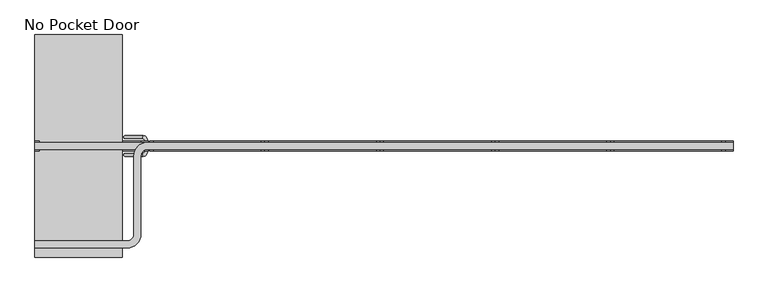
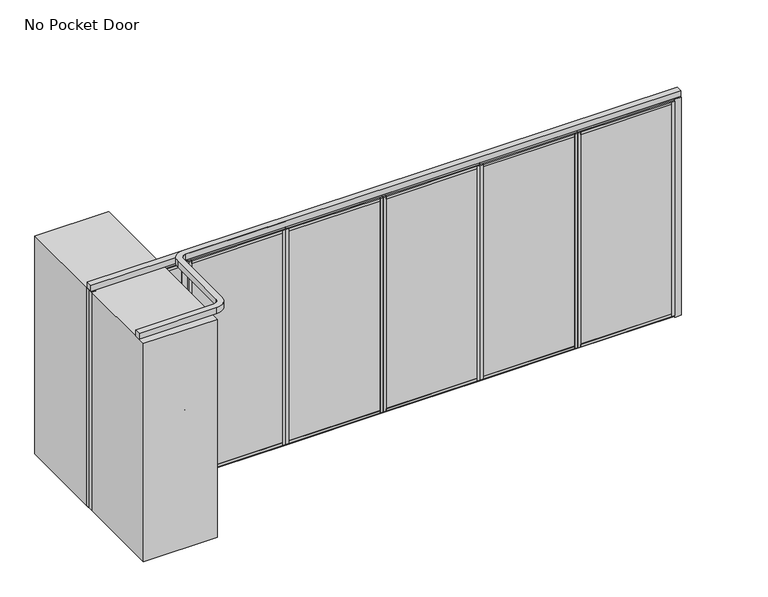
"""IFC4 building model written with IfcOpenShell, lengths in millimetres: proxy geometry, No Pocket Door."""

from ifc_helpers import new_model, si_unit, point, frame, frame_2d, origin, origin_with_axes, place, context, project, spatial, polyline, circle_curve, ellipse_curve, trimmed, segment, composite_curve, outline, extrude, source, transform, mapped, element, save
from ifc_brep_helpers import plane_surface, revolved_surface, advanced_brep


def no_pocket_door_6ac26989(model_context):
    return source(origin(), model_context, "Body", "SolidModel", [
        extrude(outline(polyline([(3207.0085497, -50.8), (3172.0835497, -50.8), (3172.0835497, 50.8), (3207.0085497, 50.8), (3207.0085497, -50.8)])), frame((0.0, 0.0, 22.225), z_axis=(0.0, 0.0, 1.0), x_axis=(1.0, 0.0, 0.0)), (0.0, 0.0, 1.0), 2698.75),
        extrude(outline(polyline([(0.0, 9.525), (1086.231, 9.525), (1086.231, 0.0), (0.0, 0.0), (0.0, 9.525)])), frame((4293.2395497, -36.5125, 52.3875), z_axis=(0.0, -2.6965096822095754e-12, 1.0), x_axis=(-1.0, 0.0, 0.0)), (0.0, 0.0, 1.0), 2638.425),
        extrude(outline(polyline([(4293.2395497, 36.5125), (3207.0085497, 36.5125), (3207.0085497, 44.45), (4293.2395497, 44.45), (4293.2395497, 36.5125)])), frame((0.0, 0.0, 52.3875), z_axis=(0.0, 0.0, 1.0), x_axis=(1.0, 0.0, 0.0)), (0.0, 0.0, 1.0), 2638.425),
        extrude(outline(polyline([(4328.1645497, -34.13125), (3172.0835497, -34.13125), (3172.0835497, 34.13125), (4328.1645497, 34.13125), (4328.1645497, -34.13125)])), origin_with_axes(), (0.0, 0.0, 1.0), 22.225),
        extrude(outline(polyline([(4328.1645497, -34.13125), (3172.0835497, -34.13125), (3172.0835497, 34.13125), (4328.1645497, 34.13125), (4328.1645497, -34.13125)])), frame((0.0, 0.0, 2720.975), z_axis=(0.0, 0.0, 1.0), x_axis=(1.0, 0.0, 0.0)), (0.0, 0.0, 1.0), 22.225),
        extrude(outline(polyline([(4293.2395497, -50.8), (4293.2395497, 50.8), (4328.1645497, 50.8), (4328.1645497, -50.8), (4293.2395497, -50.8)])), frame((0.0, 0.0, 22.225), z_axis=(0.0, 0.0, 1.0), x_axis=(1.0, 0.0, 0.0)), (0.0, 0.0, 1.0), 2698.75),
        extrude(outline(polyline([(36.5125, 2605.0875), (-36.5125, 2605.0875), (-36.5125, 2690.8125), (-50.8, 2690.8125), (-50.8, 2720.975), (50.8, 2720.975), (50.8, 2690.8125), (36.5125, 2690.8125), (36.5125, 2605.0875)])), frame((3207.0085497, 0.0, 0.0), z_axis=(1.0, 0.0, 0.0), x_axis=(0.0, 1.0, 0.0)), (0.0, 0.0, 1.0), 1086.231),
        extrude(outline(polyline([(50.8, 22.225), (-50.8, 22.225), (-50.8, 52.3875), (-36.5125, 52.3875), (-36.5125, 138.1125), (36.5125, 138.1125), (36.5125, 52.3875), (50.8, 52.3875), (50.8, 22.225)])), frame((3207.0085497, 0.0, 0.0), z_axis=(1.0, 0.0, 0.0), x_axis=(0.0, 1.0, 0.0)), (0.0, 0.0, 1.0), 1086.231),
        extrude(outline(polyline([(2050.6735497, -50.8), (2015.7485497, -50.8), (2015.7485497, 50.8), (2050.6735497, 50.8), (2050.6735497, -50.8)])), frame((0.0, 0.0, 22.225), z_axis=(0.0, 0.0, 1.0), x_axis=(1.0, 0.0, 0.0)), (0.0, 0.0, 1.0), 2698.75),
        extrude(outline(polyline([(0.0, 9.525), (1086.231, 9.525), (1086.231, 0.0), (0.0, 0.0), (0.0, 9.525)])), frame((3136.9045497, -36.5125, 52.3875), z_axis=(0.0, -2.6965096822095754e-12, 1.0), x_axis=(-1.0, 0.0, 0.0)), (0.0, 0.0, 1.0), 2638.425),
        extrude(outline(polyline([(3136.9045497, 36.5125), (2050.6735497, 36.5125), (2050.6735497, 44.45), (3136.9045497, 44.45), (3136.9045497, 36.5125)])), frame((0.0, 0.0, 52.3875), z_axis=(0.0, 0.0, 1.0), x_axis=(1.0, 0.0, 0.0)), (0.0, 0.0, 1.0), 2638.425),
        extrude(outline(polyline([(3171.8295497, -34.13125), (2015.7485497, -34.13125), (2015.7485497, 34.13125), (3171.8295497, 34.13125), (3171.8295497, -34.13125)])), origin_with_axes(), (0.0, 0.0, 1.0), 22.225),
        extrude(outline(polyline([(3171.8295497, -34.13125), (2015.7485497, -34.13125), (2015.7485497, 34.13125), (3171.8295497, 34.13125), (3171.8295497, -34.13125)])), frame((0.0, 0.0, 2720.975), z_axis=(0.0, 0.0, 1.0), x_axis=(1.0, 0.0, 0.0)), (0.0, 0.0, 1.0), 22.225),
        extrude(outline(polyline([(3136.9045497, -50.8), (3136.9045497, 50.8), (3171.8295497, 50.8), (3171.8295497, -50.8), (3136.9045497, -50.8)])), frame((0.0, 0.0, 22.225), z_axis=(0.0, 0.0, 1.0), x_axis=(1.0, 0.0, 0.0)), (0.0, 0.0, 1.0), 2698.75),
        extrude(outline(polyline([(36.5125, 2605.0875), (-36.5125, 2605.0875), (-36.5125, 2690.8125), (-50.8, 2690.8125), (-50.8, 2720.975), (50.8, 2720.975), (50.8, 2690.8125), (36.5125, 2690.8125), (36.5125, 2605.0875)])), frame((2050.6735497, 0.0, 0.0), z_axis=(1.0, 0.0, 0.0), x_axis=(0.0, 1.0, 0.0)), (0.0, 0.0, 1.0), 1086.231),
        extrude(outline(polyline([(50.8, 22.225), (-50.8, 22.225), (-50.8, 52.3875), (-36.5125, 52.3875), (-36.5125, 138.1125), (36.5125, 138.1125), (36.5125, 52.3875), (50.8, 52.3875), (50.8, 22.225)])), frame((2050.6735497, 0.0, 0.0), z_axis=(1.0, 0.0, 0.0), x_axis=(0.0, 1.0, 0.0)), (0.0, 0.0, 1.0), 1086.231),
        extrude(outline(polyline([(894.3385497, -50.8), (859.4135497, -50.8), (859.4135497, 50.8), (894.3385497, 50.8), (894.3385497, -50.8)])), frame((0.0, 0.0, 22.225), z_axis=(0.0, 0.0, 1.0), x_axis=(1.0, 0.0, 0.0)), (0.0, 0.0, 1.0), 2698.75),
        extrude(outline(polyline([(0.0, 9.525), (1086.231, 9.525), (1086.231, 0.0), (0.0, 0.0), (0.0, 9.525)])), frame((1980.5695497, -36.5125, 52.3875), z_axis=(0.0, -2.6965096822095754e-12, 1.0), x_axis=(-1.0, 0.0, 0.0)), (0.0, 0.0, 1.0), 2638.425),
        extrude(outline(polyline([(1980.5695497, 36.5125), (894.3385497, 36.5125), (894.3385497, 44.45), (1980.5695497, 44.45), (1980.5695497, 36.5125)])), frame((0.0, 0.0, 52.3875), z_axis=(0.0, 0.0, 1.0), x_axis=(1.0, 0.0, 0.0)), (0.0, 0.0, 1.0), 2638.425),
        extrude(outline(polyline([(2015.4945497, -34.13125), (859.4135497, -34.13125), (859.4135497, 34.13125), (2015.4945497, 34.13125), (2015.4945497, -34.13125)])), origin_with_axes(), (0.0, 0.0, 1.0), 22.225),
        extrude(outline(polyline([(2015.4945497, -34.13125), (859.4135497, -34.13125), (859.4135497, 34.13125), (2015.4945497, 34.13125), (2015.4945497, -34.13125)])), frame((0.0, 0.0, 2720.975), z_axis=(0.0, 0.0, 1.0), x_axis=(1.0, 0.0, 0.0)), (0.0, 0.0, 1.0), 22.225),
        extrude(outline(polyline([(1980.5695497, -50.8), (1980.5695497, 50.8), (2015.4945497, 50.8), (2015.4945497, -50.8), (1980.5695497, -50.8)])), frame((0.0, 0.0, 22.225), z_axis=(0.0, 0.0, 1.0), x_axis=(1.0, 0.0, 0.0)), (0.0, 0.0, 1.0), 2698.75),
        extrude(outline(polyline([(36.5125, 2605.0875), (-36.5125, 2605.0875), (-36.5125, 2690.8125), (-50.8, 2690.8125), (-50.8, 2720.975), (50.8, 2720.975), (50.8, 2690.8125), (36.5125, 2690.8125), (36.5125, 2605.0875)])), frame((894.3385497, 0.0, 0.0), z_axis=(1.0, 0.0, 0.0), x_axis=(0.0, 1.0, 0.0)), (0.0, 0.0, 1.0), 1086.231),
        extrude(outline(polyline([(50.8, 22.225), (-50.8, 22.225), (-50.8, 52.3875), (-36.5125, 52.3875), (-36.5125, 138.1125), (36.5125, 138.1125), (36.5125, 52.3875), (50.8, 52.3875), (50.8, 22.225)])), frame((894.3385497, 0.0, 0.0), z_axis=(1.0, 0.0, 0.0), x_axis=(0.0, 1.0, 0.0)), (0.0, 0.0, 1.0), 1086.231),
        extrude(outline(polyline([(4363.3435497, -50.8), (4328.4185497, -50.8), (4328.4185497, 50.8), (4363.3435497, 50.8), (4363.3435497, -50.8)])), frame((0.0, 0.0, 22.225), z_axis=(0.0, 0.0, 1.0), x_axis=(1.0, 0.0, 0.0)), (0.0, 0.0, 1.0), 2698.75),
        extrude(outline(polyline([(0.0, 9.525), (1086.231, 9.525), (1086.231, 0.0), (0.0, 0.0), (0.0, 9.525)])), frame((5449.5745497, -36.5125, 52.3875), z_axis=(0.0, -2.6965096822095754e-12, 1.0), x_axis=(-1.0, 0.0, 0.0)), (0.0, 0.0, 1.0), 2638.425),
        extrude(outline(polyline([(5449.5745497, 36.5125), (4363.3435497, 36.5125), (4363.3435497, 44.45), (5449.5745497, 44.45), (5449.5745497, 36.5125)])), frame((0.0, 0.0, 52.3875), z_axis=(0.0, 0.0, 1.0), x_axis=(1.0, 0.0, 0.0)), (0.0, 0.0, 1.0), 2638.425),
        extrude(outline(polyline([(5484.4995497, -34.13125), (4328.4185497, -34.13125), (4328.4185497, 34.13125), (5484.4995497, 34.13125), (5484.4995497, -34.13125)])), origin_with_axes(), (0.0, 0.0, 1.0), 22.225),
        extrude(outline(polyline([(5484.4995497, -34.13125), (4328.4185497, -34.13125), (4328.4185497, 34.13125), (5484.4995497, 34.13125), (5484.4995497, -34.13125)])), frame((0.0, 0.0, 2720.975), z_axis=(0.0, 0.0, 1.0), x_axis=(1.0, 0.0, 0.0)), (0.0, 0.0, 1.0), 22.225),
        extrude(outline(polyline([(5449.5745497, -50.8), (5449.5745497, 50.8), (5484.4995497, 50.8), (5484.4995497, -50.8), (5449.5745497, -50.8)])), frame((0.0, 0.0, 22.225), z_axis=(0.0, 0.0, 1.0), x_axis=(1.0, 0.0, 0.0)), (0.0, 0.0, 1.0), 2698.75),
        extrude(outline(polyline([(36.5125, 2605.0875), (-36.5125, 2605.0875), (-36.5125, 2690.8125), (-50.8, 2690.8125), (-50.8, 2720.975), (50.8, 2720.975), (50.8, 2690.8125), (36.5125, 2690.8125), (36.5125, 2605.0875)])), frame((4363.3435497, 0.0, 0.0), z_axis=(1.0, 0.0, 0.0), x_axis=(0.0, 1.0, 0.0)), (0.0, 0.0, 1.0), 1086.231),
        extrude(outline(polyline([(50.8, 22.225), (-50.8, 22.225), (-50.8, 52.3875), (-36.5125, 52.3875), (-36.5125, 138.1125), (36.5125, 138.1125), (36.5125, 52.3875), (50.8, 52.3875), (50.8, 22.225)])), frame((4363.3435497, 0.0, 0.0), z_axis=(1.0, 0.0, 0.0), x_axis=(0.0, 1.0, 0.0)), (0.0, 0.0, 1.0), 1086.231),
        advanced_brep(
        [(-367.7709403, 103.378, 879.07749), (-367.7709403, 73.2155, 879.07749), (-315.1929403, 50.8, 879.07749), (-345.3554403, 50.8, 879.07749)],
        [
            (0, 1, circle_curve(frame((-367.7709403, 88.29675, 879.07749), z_axis=(-1.0, 0.0, 0.0), x_axis=(0.0, -1.0, 0.0)), 15.08125)),
            (1, 0, circle_curve(frame((-367.7709403, 88.29675, 879.07749), z_axis=(-1.0, 0.0, 0.0), x_axis=(0.0, -1.0, 0.0)), 15.08125)),
            (2, 3, circle_curve(frame((-330.2741903, 50.8, 879.07749), z_axis=(0.0, -1.0, 0.0), x_axis=(-1.0, 0.0, 0.0)), 15.08125)),
            (3, 2, circle_curve(frame((-330.2741903, 50.8, 879.07749), z_axis=(0.0, -1.0, 0.0), x_axis=(-1.0, 0.0, 0.0)), 15.08125)),
            (2, 0, circle_curve(frame((-367.7709403, 50.8, 879.07749), z_axis=(0.0, 0.0, 1.0), x_axis=(0.0, 1.0, 0.0)), 52.578)),
            (1, 3, circle_curve(frame((-367.7709403, 50.8, 879.07749), z_axis=(0.0, 0.0, -1.0), x_axis=(0.0, 1.0, 0.0)), 22.4155)),
        ],
        [
            plane_surface(frame((-367.7709403, 88.29675, 879.07749), z_axis=(-1.0, 0.0, 0.0), x_axis=(0.0, 0.0, 1.0))),
            plane_surface(frame((-330.2741903, 50.8, 879.07749), z_axis=(0.0, -1.0, 0.0), x_axis=(0.0, 0.0, 1.0))),
            revolved_surface(trimmed(ellipse_curve(frame((-367.7709403, 88.29675, 879.07749), z_axis=(1.0, 0.0, 0.0), x_axis=(0.0, -1.0, 0.0)), 15.08125, 15.08125), [point((-367.7709403, 103.378, 879.07749))], [point((-367.7709403, 73.2155, 879.07749))], True, "CARTESIAN"), (-367.7709403, 50.8, 879.07749), (0.0, 0.0, 1.0)),
            revolved_surface(trimmed(ellipse_curve(frame((-367.7709403, 88.29675, 879.07749), z_axis=(1.0, 0.0, 0.0), x_axis=(0.0, -1.0, 0.0)), 15.08125, 15.08125), [point((-367.7709403, 73.2155, 879.07749))], [point((-367.7709403, 103.378, 879.07749))], True, "CARTESIAN"), (-367.7709403, 50.8, 879.07749), (0.0, 0.0, 1.0)),
        ],
        [
            (0, [[1, 2]]),
            (1, [[3, 4]]),
            (2, [[-3, 5, -2, 6]]),
            (3, [[-4, -6, -1, -5]]),
        ],
    ),
        advanced_brep(
        [(-367.7709403, 103.378, 1229.12251), (-367.7709403, 73.2155, 1229.12251), (-315.1929403, 50.8, 1229.12251), (-345.3554403, 50.8, 1229.12251)],
        [
            (0, 1, circle_curve(frame((-367.7709403, 88.29675, 1229.12251), z_axis=(-1.0, 0.0, 0.0), x_axis=(0.0, -1.0, 0.0)), 15.08125)),
            (1, 0, circle_curve(frame((-367.7709403, 88.29675, 1229.12251), z_axis=(-1.0, 0.0, 0.0), x_axis=(0.0, -1.0, 0.0)), 15.08125)),
            (2, 3, circle_curve(frame((-330.2741903, 50.8, 1229.12251), z_axis=(0.0, -1.0, 0.0), x_axis=(-1.0, 0.0, 0.0)), 15.08125)),
            (3, 2, circle_curve(frame((-330.2741903, 50.8, 1229.12251), z_axis=(0.0, -1.0, 0.0), x_axis=(-1.0, 0.0, 0.0)), 15.08125)),
            (3, 1, circle_curve(frame((-367.7709403, 50.8, 1229.12251), z_axis=(0.0, 0.0, 1.0), x_axis=(0.0, 1.0, 0.0)), 22.4155)),
            (0, 2, circle_curve(frame((-367.7709403, 50.8, 1229.12251), z_axis=(0.0, 0.0, -1.0), x_axis=(0.0, 1.0, 0.0)), 52.578)),
        ],
        [
            plane_surface(frame((-367.7709403, 88.29675, 1054.1), z_axis=(-1.0, 0.0, 0.0), x_axis=(0.0, 0.0, 1.0))),
            plane_surface(frame((-330.2741903, 50.8, 1054.1), z_axis=(0.0, -1.0, 0.0), x_axis=(0.0, 0.0, 1.0))),
            revolved_surface(trimmed(ellipse_curve(frame((-367.7709403, 88.29675, 1229.12251), z_axis=(1.0, 0.0, 0.0), x_axis=(0.0, -1.0, 0.0)), 15.08125, 15.08125), [point((-367.7709403, 73.2155, 1229.12251))], [point((-367.7709403, 103.378, 1229.12251))], True, "CARTESIAN"), (-367.7709403, 50.8, 1054.1), (0.0, 0.0, 1.0)),
            revolved_surface(trimmed(ellipse_curve(frame((-367.7709403, 88.29675, 1229.12251), z_axis=(1.0, 0.0, 0.0), x_axis=(0.0, -1.0, 0.0)), 15.08125, 15.08125), [point((-367.7709403, 103.378, 1229.12251))], [point((-367.7709403, 73.2155, 1229.12251))], True, "CARTESIAN"), (-367.7709403, 50.8, 1054.1), (0.0, 0.0, 1.0)),
        ],
        [
            (0, [[1, 2]]),
            (1, [[3, 4]]),
            (2, [[-4, 5, -1, 6]]),
            (3, [[-3, -6, -2, -5]]),
        ],
    ),
        advanced_brep(
        [(-367.7709403, 73.2155, 1229.12251), (-367.7709403, 103.378, 1229.12251), (-367.7709403, 73.2155, 879.07749), (-367.7709403, 103.378, 879.07749)],
        [
            (0, 1, circle_curve(frame((-367.7709403, 88.29675, 1229.12251), z_axis=(1.0, 0.0, 0.0), x_axis=(0.0, 1.0, 0.0)), 15.08125)),
            (1, 0, circle_curve(frame((-367.7709403, 88.29675, 1229.12251), z_axis=(1.0, 0.0, 0.0), x_axis=(0.0, 1.0, 0.0)), 15.08125)),
            (2, 3, circle_curve(frame((-367.7709403, 88.29675, 879.07749), z_axis=(1.0, 0.0, 0.0), x_axis=(0.0, 1.0, 0.0)), 15.08125)),
            (3, 2, circle_curve(frame((-367.7709403, 88.29675, 879.07749), z_axis=(1.0, 0.0, 0.0), x_axis=(0.0, 1.0, 0.0)), 15.08125)),
            (3, 1, circle_curve(frame((-367.7709403, 103.378, 1054.1), z_axis=(0.0, 1.0, 0.0), x_axis=(0.0, 0.0, 1.0)), 175.02251)),
            (0, 2, circle_curve(frame((-367.7709403, 73.2155, 1054.1), z_axis=(0.0, -1.0, 0.0), x_axis=(0.0, 0.0, 1.0)), 175.02251)),
        ],
        [
            plane_surface(frame((-367.7709403, 88.29675, 1229.12251), z_axis=(1.0, 0.0, 0.0), x_axis=(0.0, 1.0, 0.0))),
            plane_surface(frame((-367.7709403, 88.29675, 879.07749), z_axis=(1.0, 0.0, 0.0), x_axis=(0.0, 1.0, 0.0))),
            revolved_surface(trimmed(ellipse_curve(frame((-367.7709403, 88.29675, 1229.12251), z_axis=(-1.0, 0.0, 0.0), x_axis=(0.0, 1.0, 0.0)), 15.08125, 15.08125), [point((-367.7709403, 103.378, 1229.12251))], [point((-367.7709403, 73.2155, 1229.12251))], True, "CARTESIAN"), (-367.7709403, 88.29675, 1054.1), (0.0, 1.0, 0.0)),
            revolved_surface(trimmed(ellipse_curve(frame((-367.7709403, 88.29675, 1229.12251), z_axis=(-1.0, 0.0, 0.0), x_axis=(0.0, 1.0, 0.0)), 15.08125, 15.08125), [point((-367.7709403, 73.2155, 1229.12251))], [point((-367.7709403, 103.378, 1229.12251))], True, "CARTESIAN"), (-367.7709403, 88.29675, 1054.1), (0.0, 1.0, 0.0)),
        ],
        [
            (0, [[1, 2]]),
            (1, [[3, 4]]),
            (2, [[-4, 5, -1, 6]]),
            (3, [[-3, -6, -2, -5]]),
        ],
    ),
        advanced_brep(
        [(-367.7709403, -73.2155, 879.07749), (-367.7709403, -103.378, 879.07749), (-345.3554403, -50.8, 879.07749), (-315.1929403, -50.8, 879.07749)],
        [
            (0, 1, circle_curve(frame((-367.7709403, -88.29675, 879.07749), z_axis=(-1.0, 0.0, 0.0), x_axis=(0.0, -1.0, 0.0)), 15.08125)),
            (1, 0, circle_curve(frame((-367.7709403, -88.29675, 879.07749), z_axis=(-1.0, 0.0, 0.0), x_axis=(0.0, -1.0, 0.0)), 15.08125)),
            (2, 3, circle_curve(frame((-330.2741903, -50.8, 879.07749), z_axis=(0.0, 1.0, 0.0), x_axis=(1.0, 0.0, 0.0)), 15.08125)),
            (3, 2, circle_curve(frame((-330.2741903, -50.8, 879.07749), z_axis=(0.0, 1.0, 0.0), x_axis=(1.0, 0.0, 0.0)), 15.08125)),
            (3, 1, circle_curve(frame((-367.7709403, -50.8, 879.07749), z_axis=(0.0, 0.0, -1.0), x_axis=(0.0, -1.0, 0.0)), 52.578)),
            (0, 2, circle_curve(frame((-367.7709403, -50.8, 879.07749), z_axis=(0.0, 0.0, 1.0), x_axis=(0.0, -1.0, 0.0)), 22.4155)),
        ],
        [
            plane_surface(frame((-367.7709403, -88.29675, 879.07749), z_axis=(-1.0, 0.0, 0.0), x_axis=(0.0, 0.0, 1.0))),
            plane_surface(frame((-330.2741903, -50.8, 879.07749), z_axis=(0.0, 1.0, 0.0), x_axis=(0.0, 0.0, 1.0))),
            revolved_surface(trimmed(ellipse_curve(frame((-367.7709403, -88.29675, 879.07749), z_axis=(1.0, 0.0, 0.0), x_axis=(0.0, -1.0, 0.0)), 15.08125, 15.08125), [point((-367.7709403, -103.378, 879.07749))], [point((-367.7709403, -73.2155, 879.07749))], True, "CARTESIAN"), (-367.7709403, -50.8, 879.07749), (0.0, 0.0, -1.0)),
            revolved_surface(trimmed(ellipse_curve(frame((-367.7709403, -88.29675, 879.07749), z_axis=(1.0, 0.0, 0.0), x_axis=(0.0, -1.0, 0.0)), 15.08125, 15.08125), [point((-367.7709403, -73.2155, 879.07749))], [point((-367.7709403, -103.378, 879.07749))], True, "CARTESIAN"), (-367.7709403, -50.8, 879.07749), (0.0, 0.0, -1.0)),
        ],
        [
            (0, [[1, 2]]),
            (1, [[3, 4]]),
            (2, [[-4, 5, -1, 6]]),
            (3, [[-3, -6, -2, -5]]),
        ],
    ),
        advanced_brep(
        [(-367.7709403, -73.2155, 1229.12251), (-367.7709403, -103.378, 1229.12251), (-345.3554403, -50.8, 1229.12251), (-315.1929403, -50.8, 1229.12251)],
        [
            (0, 1, circle_curve(frame((-367.7709403, -88.29675, 1229.12251), z_axis=(-1.0, 0.0, 0.0), x_axis=(0.0, -1.0, 0.0)), 15.08125)),
            (1, 0, circle_curve(frame((-367.7709403, -88.29675, 1229.12251), z_axis=(-1.0, 0.0, 0.0), x_axis=(0.0, -1.0, 0.0)), 15.08125)),
            (2, 3, circle_curve(frame((-330.2741903, -50.8, 1229.12251), z_axis=(0.0, 1.0, 0.0), x_axis=(1.0, 0.0, 0.0)), 15.08125)),
            (3, 2, circle_curve(frame((-330.2741903, -50.8, 1229.12251), z_axis=(0.0, 1.0, 0.0), x_axis=(1.0, 0.0, 0.0)), 15.08125)),
            (2, 0, circle_curve(frame((-367.7709403, -50.8, 1229.12251), z_axis=(0.0, 0.0, -1.0), x_axis=(0.0, -1.0, 0.0)), 22.4155)),
            (1, 3, circle_curve(frame((-367.7709403, -50.8, 1229.12251), z_axis=(0.0, 0.0, 1.0), x_axis=(0.0, -1.0, 0.0)), 52.578)),
        ],
        [
            plane_surface(frame((-367.7709403, -88.29675, 1054.1), z_axis=(-1.0, 0.0, 0.0), x_axis=(0.0, 0.0, 1.0))),
            plane_surface(frame((-330.2741903, -50.8, 1054.1), z_axis=(0.0, 1.0, 0.0), x_axis=(0.0, 0.0, 1.0))),
            revolved_surface(trimmed(ellipse_curve(frame((-367.7709403, -88.29675, 1229.12251), z_axis=(1.0, 0.0, 0.0), x_axis=(0.0, -1.0, 0.0)), 15.08125, 15.08125), [point((-367.7709403, -73.2155, 1229.12251))], [point((-367.7709403, -103.378, 1229.12251))], True, "CARTESIAN"), (-367.7709403, -50.8, 1054.1), (0.0, 0.0, -1.0)),
            revolved_surface(trimmed(ellipse_curve(frame((-367.7709403, -88.29675, 1229.12251), z_axis=(1.0, 0.0, 0.0), x_axis=(0.0, -1.0, 0.0)), 15.08125, 15.08125), [point((-367.7709403, -103.378, 1229.12251))], [point((-367.7709403, -73.2155, 1229.12251))], True, "CARTESIAN"), (-367.7709403, -50.8, 1054.1), (0.0, 0.0, -1.0)),
        ],
        [
            (0, [[1, 2]]),
            (1, [[3, 4]]),
            (2, [[-3, 5, -2, 6]]),
            (3, [[-4, -6, -1, -5]]),
        ],
    ),
        advanced_brep(
        [(-367.7709403, -73.2155, 1229.12251), (-367.7709403, -103.378, 1229.12251), (-367.7709403, -73.2155, 879.07749), (-367.7709403, -103.378, 879.07749)],
        [
            (0, 1, circle_curve(frame((-367.7709403, -88.29675, 1229.12251), z_axis=(1.0, 0.0, 0.0), x_axis=(0.0, -1.0, 0.0)), 15.08125)),
            (1, 0, circle_curve(frame((-367.7709403, -88.29675, 1229.12251), z_axis=(1.0, 0.0, 0.0), x_axis=(0.0, -1.0, 0.0)), 15.08125)),
            (2, 3, circle_curve(frame((-367.7709403, -88.29675, 879.07749), z_axis=(1.0, 0.0, 0.0), x_axis=(0.0, -1.0, 0.0)), 15.08125)),
            (3, 2, circle_curve(frame((-367.7709403, -88.29675, 879.07749), z_axis=(1.0, 0.0, 0.0), x_axis=(0.0, -1.0, 0.0)), 15.08125)),
            (2, 0, circle_curve(frame((-367.7709403, -73.2155, 1054.1), z_axis=(0.0, 1.0, 0.0), x_axis=(0.0, 0.0, 1.0)), 175.02251)),
            (1, 3, circle_curve(frame((-367.7709403, -103.378, 1054.1), z_axis=(0.0, -1.0, 0.0), x_axis=(0.0, 0.0, 1.0)), 175.02251)),
        ],
        [
            plane_surface(frame((-367.7709403, -88.29675, 1229.12251), z_axis=(1.0, 0.0, 0.0), x_axis=(0.0, -1.0, 0.0))),
            plane_surface(frame((-367.7709403, -88.29675, 879.07749), z_axis=(1.0, 0.0, 0.0), x_axis=(0.0, -1.0, 0.0))),
            revolved_surface(trimmed(ellipse_curve(frame((-367.7709403, -88.29675, 1229.12251), z_axis=(-1.0, 0.0, 0.0), x_axis=(0.0, -1.0, 0.0)), 15.08125, 15.08125), [point((-367.7709403, -73.2155, 1229.12251))], [point((-367.7709403, -103.378, 1229.12251))], True, "CARTESIAN"), (-367.7709403, -88.29675, 1054.1), (0.0, 1.0, 0.0)),
            revolved_surface(trimmed(ellipse_curve(frame((-367.7709403, -88.29675, 1229.12251), z_axis=(-1.0, 0.0, 0.0), x_axis=(0.0, -1.0, 0.0)), 15.08125, 15.08125), [point((-367.7709403, -103.378, 1229.12251))], [point((-367.7709403, -73.2155, 1229.12251))], True, "CARTESIAN"), (-367.7709403, -88.29675, 1054.1), (0.0, 1.0, 0.0)),
        ],
        [
            (0, [[1, 2]]),
            (1, [[3, 4]]),
            (2, [[-3, 5, -2, 6]]),
            (3, [[-4, -6, -1, -5]]),
        ],
    ),
        extrude(outline(composite_curve([segment(trimmed(circle_curve(frame_2d((-349.1353175, 0.0)), 52.2138672), [point((-309.6214503, 34.13125))], [point((-309.6214503, -34.13125))], False, "CARTESIAN"), True, "CONTINUOUS"), segment(polyline([(-309.6214503, -34.13125), (-309.6214503, 34.13125)]), True, "CONTINUOUS")], self_intersect=False)), origin_with_axes(), (0.0, 0.0, 1.0), 2743.2),
        extrude(outline(composite_curve([segment(polyline([(-1306.5714503, -50.8), (-1315.0552435, -50.8), (-1315.0552435, -34.13125), (-1342.2902003, -34.13125)]), True, "CONTINUOUS"), segment(trimmed(circle_curve(frame_2d((-1342.2902003, 0.0)), 34.13125), [point((-1342.2902003, -34.13125))], [point((-1342.2902003, 34.13125))], False, "CARTESIAN"), True, "CONTINUOUS"), segment(polyline([(-1342.2902003, 34.13125), (-1315.0552435, 34.13125), (-1315.0552435, 50.8), (-1306.5714503, 50.8), (-1306.5714503, -50.8)]), True, "CONTINUOUS")], self_intersect=False)), frame((0.0, 0.0, 22.225), z_axis=(0.0, 0.0, 1.0), x_axis=(1.0, 0.0, 0.0)), (0.0, 0.0, 1.0), 2698.75),
        extrude(outline(polyline([(0.0, 9.525), (961.771, 9.525), (961.771, 0.0), (0.0, 0.0), (0.0, 9.525)])), frame((-344.8004503, -36.5125, 52.3875), z_axis=(0.0, -2.6965096822095754e-12, 1.0), x_axis=(-1.0, 0.0, 0.0)), (0.0, 0.0, 1.0), 2638.425),
        extrude(outline(polyline([(-344.8004503, 36.5125), (-1306.5714503, 36.5125), (-1306.5714503, 44.45), (-344.8004503, 44.45), (-344.8004503, 36.5125)])), frame((0.0, 0.0, 52.3875), z_axis=(0.0, 0.0, 1.0), x_axis=(1.0, 0.0, 0.0)), (0.0, 0.0, 1.0), 2638.425),
        extrude(outline(polyline([(-309.8754503, -34.13125), (-1376.4214503, -34.13125), (-1376.4214503, 34.13125), (-309.8754503, 34.13125), (-309.8754503, -34.13125)])), origin_with_axes(), (0.0, 0.0, 1.0), 22.225),
        extrude(outline(polyline([(-309.8754503, -34.13125), (-1376.4214503, -34.13125), (-1376.4214503, 34.13125), (-309.8754503, 34.13125), (-309.8754503, -34.13125)])), frame((0.0, 0.0, 2720.975), z_axis=(0.0, 0.0, 1.0), x_axis=(1.0, 0.0, 0.0)), (0.0, 0.0, 1.0), 22.225),
        extrude(outline(polyline([(-379.7254503, -50.8), (-379.7254503, 50.8), (-309.8754503, 50.8), (-309.8754503, -50.8), (-379.7254503, -50.8)])), frame((0.0, 0.0, 22.225), z_axis=(0.0, 0.0, 1.0), x_axis=(1.0, 0.0, 0.0)), (0.0, 0.0, 1.0), 2698.75),
        extrude(outline(polyline([(36.5125, 2605.0875), (-36.5125, 2605.0875), (-36.5125, 2690.8125), (-50.8, 2690.8125), (-50.8, 2720.975), (50.8, 2720.975), (50.8, 2690.8125), (36.5125, 2690.8125), (36.5125, 2605.0875)])), frame((-1306.5714503, 0.0, 0.0), z_axis=(1.0, 0.0, 0.0), x_axis=(0.0, 1.0, 0.0)), (0.0, 0.0, 1.0), 926.846),
        extrude(outline(polyline([(50.8, 22.225), (-50.8, 22.225), (-50.8, 52.3875), (-36.5125, 52.3875), (-36.5125, 138.1125), (36.5125, 138.1125), (36.5125, 52.3875), (50.8, 52.3875), (50.8, 22.225)])), frame((-1306.5714503, 0.0, 0.0), z_axis=(1.0, 0.0, 0.0), x_axis=(0.0, 1.0, 0.0)), (0.0, 0.0, 1.0), 926.846),
        extrude(outline(composite_curve([segment(trimmed(circle_curve(frame_2d((-1402.809669, 0.0)), 26.3882187), [point((-1384.5494503, 19.05))], [point((-1384.5494503, -19.05))], False, "CARTESIAN"), True, "CONTINUOUS"), segment(polyline([(-1384.5494503, -19.05), (-1384.5494503, 19.05)]), True, "CONTINUOUS")], self_intersect=False)), origin_with_axes(), (0.0, 0.0, 1.0), 2743.2),
        extrude(outline(polyline([(-1449.4464503, -50.8), (-1449.4464503, 0.0), (-1449.4464503, 50.8), (-1403.5994503, 50.8), (-1403.5994503, 19.05), (-1384.5494503, 19.05), (-1384.5494503, -19.05), (-1403.5994503, -19.05), (-1403.5994503, -50.8), (-1449.4464503, -50.8)])), origin_with_axes(), (0.0, 0.0, 1.0), 2743.2),
        extrude(outline(polyline([(5560.9535497, -50.8), (5484.7535497, -50.8), (5484.7535497, 50.8), (5560.9535497, 50.8), (5560.9535497, -50.8)])), origin_with_axes(), (0.0, 0.0, 1.0), 2743.2),
        extrude(outline(polyline([(-261.9964503, -50.8), (-296.9214503, -50.8), (-296.9214503, 50.8), (-261.9964503, 50.8), (-261.9964503, -50.8)])), frame((0.0, 0.0, 22.225), z_axis=(0.0, 0.0, 1.0), x_axis=(1.0, 0.0, 0.0)), (0.0, 0.0, 1.0), 2698.75),
        extrude(outline(polyline([(0.0, 9.525), (1086.231, 9.525), (1086.231, 0.0), (0.0, 0.0), (0.0, 9.525)])), frame((824.2345497, -36.5125, 52.3875), z_axis=(0.0, -2.6965096822095754e-12, 1.0), x_axis=(-1.0, 0.0, 0.0)), (0.0, 0.0, 1.0), 2638.425),
        extrude(outline(polyline([(824.2345497, 36.5125), (-261.9964503, 36.5125), (-261.9964503, 44.45), (824.2345497, 44.45), (824.2345497, 36.5125)])), frame((0.0, 0.0, 52.3875), z_axis=(0.0, 0.0, 1.0), x_axis=(1.0, 0.0, 0.0)), (0.0, 0.0, 1.0), 2638.425),
        extrude(outline(polyline([(859.1595497, -34.13125), (-296.9214503, -34.13125), (-296.9214503, 34.13125), (859.1595497, 34.13125), (859.1595497, -34.13125)])), origin_with_axes(), (0.0, 0.0, 1.0), 22.225),
        extrude(outline(polyline([(859.1595497, -34.13125), (-296.9214503, -34.13125), (-296.9214503, 34.13125), (859.1595497, 34.13125), (859.1595497, -34.13125)])), frame((0.0, 0.0, 2720.975), z_axis=(0.0, 0.0, 1.0), x_axis=(1.0, 0.0, 0.0)), (0.0, 0.0, 1.0), 22.225),
        extrude(outline(polyline([(824.2345497, -50.8), (824.2345497, 50.8), (859.1595497, 50.8), (859.1595497, -50.8), (824.2345497, -50.8)])), frame((0.0, 0.0, 22.225), z_axis=(0.0, 0.0, 1.0), x_axis=(1.0, 0.0, 0.0)), (0.0, 0.0, 1.0), 2698.75),
        extrude(outline(polyline([(36.5125, 2605.0875), (-36.5125, 2605.0875), (-36.5125, 2690.8125), (-50.8, 2690.8125), (-50.8, 2720.975), (50.8, 2720.975), (50.8, 2690.8125), (36.5125, 2690.8125), (36.5125, 2605.0875)])), frame((-261.9964503, 0.0, 0.0), z_axis=(1.0, 0.0, 0.0), x_axis=(0.0, 1.0, 0.0)), (0.0, 0.0, 1.0), 1086.231),
        extrude(outline(polyline([(50.8, 22.225), (-50.8, 22.225), (-50.8, 52.3875), (-36.5125, 52.3875), (-36.5125, 138.1125), (36.5125, 138.1125), (36.5125, 52.3875), (50.8, 52.3875), (50.8, 22.225)])), frame((-261.9964503, 0.0, 0.0), z_axis=(1.0, 0.0, 0.0), x_axis=(0.0, 1.0, 0.0)), (0.0, 0.0, 1.0), 1086.231),
        extrude(outline(composite_curve([segment(polyline([(5560.9535497, -35.71875), (-319.1464503, -35.71875)]), True, "CONTINUOUS"), segment(trimmed(circle_curve(frame_2d((-319.1464503, -101.6)), 65.88125), [point((-319.1464503, -35.71875))], [point((-385.0277003, -101.6))], True, "CARTESIAN"), True, "CONTINUOUS"), segment(polyline([(-385.0277003, -101.6), (-385.0277003, -889.0)]), True, "CONTINUOUS"), segment(trimmed(circle_curve(frame_2d((-522.3464503, -889.0)), 137.31875), [point((-385.0277003, -889.0))], [point((-522.3464503, -1026.31875))], False, "CARTESIAN"), True, "CONTINUOUS"), segment(polyline([(-522.3464503, -1026.31875), (-1449.4464503, -1026.31875), (-1449.4464503, -954.88125), (-522.3464503, -954.88125)]), True, "CONTINUOUS"), segment(trimmed(circle_curve(frame_2d((-522.3464503, -889.0)), 65.88125), [point((-522.3464503, -954.88125))], [point((-456.4652003, -889.0))], True, "CARTESIAN"), True, "CONTINUOUS"), segment(polyline([(-456.4652003, -889.0), (-456.4652003, -101.6)]), True, "CONTINUOUS"), segment(trimmed(circle_curve(frame_2d((-319.1464503, -101.6)), 137.31875), [point((-456.4652003, -101.6))], [point((-319.1464503, 35.71875))], False, "CARTESIAN"), True, "CONTINUOUS"), segment(polyline([(-319.1464503, 35.71875), (5560.9535497, 35.71875), (5560.9535497, -35.71875)]), True, "CONTINUOUS")], self_intersect=False)), frame((0.0, 0.0, 2743.2), z_axis=(0.0, 0.0, 1.0), x_axis=(1.0, 0.0, 0.0)), (0.0, 0.0, 1.0), 74.6125),
        extrude(outline(polyline([(859.4135497, -35.71875), (-1449.4464503, -35.71875), (-1449.4464503, 35.71875), (859.4135497, 35.71875), (859.4135497, -35.71875)])), frame((0.0, 0.0, 2743.2), z_axis=(0.0, 0.0, 1.0), x_axis=(1.0, 0.0, 0.0)), (0.0, 0.0, 1.0), 74.6125),
        extrude(outline(polyline([(-573.1464503, 1117.6), (-573.1464503, -1117.6), (-1449.4464503, -1117.6), (-1449.4464503, 1117.6), (-573.1464503, 1117.6)])), origin_with_axes(), (0.0, 0.0, 1.0), 2743.2),
    ])


if __name__ == "__main__":
    model = new_model("IFC4")
    model_context = context("Model", 3, world=origin())
    ifc_project = project(units=[si_unit("LENGTHUNIT", "METRE", prefix="MILLI")], contexts=[model_context])
    site = spatial("IfcSite", under=ifc_project)
    building = spatial("IfcBuilding", under=site)
    placement = place(None, origin())
    no_pocket_door_shape = no_pocket_door_6ac26989(model_context)
    element("IfcBuildingElementProxy", 1, Name="No Pocket Door", ObjectType="No Pocket Door", at=placement, inside=building, context=model_context, shape_type="MappedRepresentation", body=[
        mapped(no_pocket_door_shape, transform((0.0, 0.0, 0.0), x_axis=(1.0, 0.0, 0.0), y_axis=(0.0, 1.0, 0.0), z_axis=(0.0, 0.0, 1.0))),
    ])
    save(model, "model.ifc")
